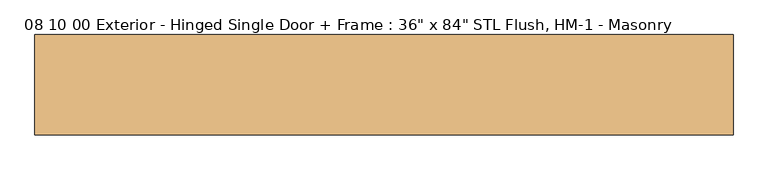
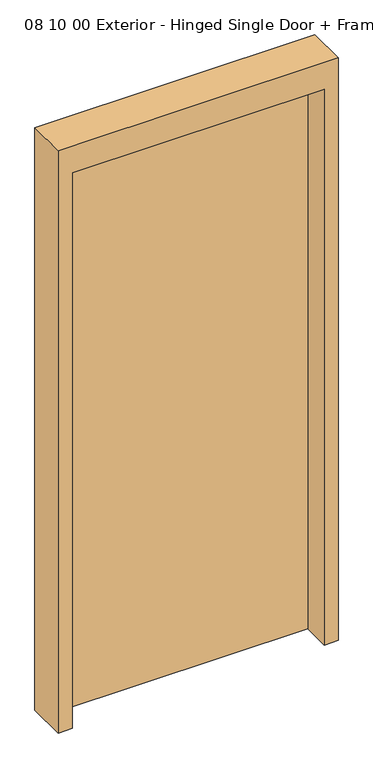
"""IFC4 building model written with IfcOpenShell, lengths in millimetres: door geometry."""

from ifc_helpers import new_model, si_unit, frame, origin, origin_with_axes, place, context, project, spatial, polyline, outline, extrude, source, transform, mapped, element, save


def door_2abb5adb(model_context):
    return source(origin(), model_context, "Body", "SweptSolid", [
        extrude(outline(polyline([(457.2, 171.45), (-457.2, 171.45), (-457.2, 215.9), (457.2, 215.9), (457.2, 171.45)])), origin_with_axes(), (0.0, 0.0, 1.0), 2133.6),
        extrude(outline(polyline([(0.0, -508.0), (0.0, -457.2), (2133.6, -457.2), (2133.6, 457.2), (0.0, 457.2), (0.0, 508.0), (2235.2, 508.0), (2235.2, -508.0), (0.0, -508.0)])), frame((0.0, 69.85, 0.0), z_axis=(0.0, 1.0, 0.0), x_axis=(0.0, 0.0, 1.0)), (0.0, 0.0, 1.0), 146.05),
    ])


if __name__ == "__main__":
    model = new_model("IFC4")
    model_context = context("Model", 3, world=origin())
    ifc_project = project(units=[si_unit("LENGTHUNIT", "METRE", prefix="MILLI")], contexts=[model_context])
    site = spatial("IfcSite", under=ifc_project)
    building = spatial("IfcBuilding", under=site)
    placement = place(None, origin())
    door_shape = door_2abb5adb(model_context)
    element("IfcDoor", 1, ObjectType="08 10 00 Exterior - Hinged Single Door + Frame : 36\" x 84\" STL Flush, HM-1 - Masonry", at=placement, inside=building, context=model_context, shape_type="MappedRepresentation", body=[
        mapped(door_shape, transform((0.0, 0.0, 0.0), x_axis=(1.0, 0.0, 0.0), y_axis=(0.0, 1.0, 0.0), z_axis=(0.0, 0.0, 1.0))),
    ])
    save(model, "model.ifc")
